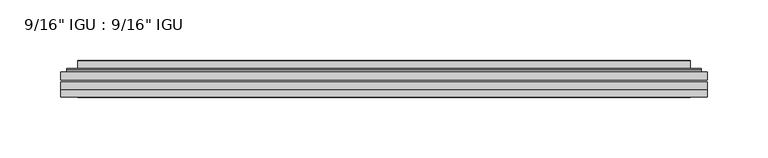
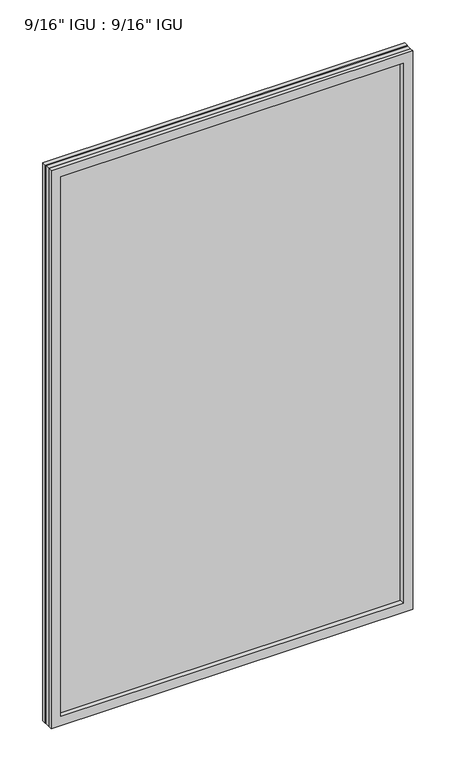
"""IFC4 building model written with IfcOpenShell, lengths in millimetres: plate geometry."""

from ifc_helpers import new_model, si_unit, frame, origin, place, context, project, spatial, polyline, ellipse_curve, outline, extrude, faceted_brep, source, transform, mapped, element, save
from ifc_brep_helpers import plane_surface, cylinder_surface, advanced_brep


def plate_6322d7ac(model_context):
    return source(origin(), model_context, "Body", "SolidModel", [
        extrude(outline(polyline([(266.714175, -54.78145), (266.714175, -61.1317818), (-266.7, -61.1317818), (-266.7, -54.78145), (266.714175, -54.78145)])), frame((0.0, 0.0, -14.2875), z_axis=(0.0, 0.0, 1.0), x_axis=(1.0, 0.0, 0.0)), (0.0, 0.0, 1.0), 869.9537979),
        extrude(outline(polyline([(-266.7, -69.05625), (-266.7, -62.705745), (266.714175, -62.705745), (266.714175, -69.05625), (-266.7, -69.05625)])), frame((0.0, 0.0, -14.2875), z_axis=(0.0, 0.0, 1.0), x_axis=(1.0, 0.0, 0.0)), (0.0, 0.0, 1.0), 869.9537979),
        faceted_brep([(-266.7127, -75.40625, 855.6752), (-266.7127, -69.05625, 855.6752), (-266.7127, -69.05625, -14.3002), (-266.7127, -75.40625, -14.3002), (266.7127, -69.05625, -14.3002), (266.7127, -75.40625, -14.3002), (266.7127, -69.05625, 855.6752), (266.7127, -75.40625, 855.6752), (-251.5147559, -69.05625, 0.8977441), (251.5147559, -69.05625, 0.8977441), (251.5147559, -69.05625, 840.4772559), (-251.5147559, -69.05625, 840.4772559), (-252.4071902, -75.40625, 841.3696902), (252.4071902, -75.40625, 841.3696902), (252.4071902, -75.40625, 0.0053098), (-252.4071902, -75.40625, 0.0053098)], [[[0, 1, 2, 3]], [[3, 2, 4, 5]], [[5, 4, 6, 7]], [[1, 6, 4, 2], [8, 9, 10, 11]], [[7, 6, 1, 0]], [[3, 5, 7, 0], [12, 13, 14, 15]], [[11, 12, 15, 8]], [[8, 15, 14, 9]], [[9, 14, 13, 10]], [[10, 13, 12, 11]]]),
        advanced_brep(
        [(-259.458719, -54.78145, 848.421219), (-261.8129244, -52.7917833, 850.7754244), (-261.8129244, -52.7917833, -9.4004244), (-259.458719, -54.78145, -7.046219), (-250.3843939, -50.941413, 839.3468939), (-245.4495621, -54.78145, 834.4120621), (-245.4495621, -54.78145, 6.9629379), (-250.3843939, -50.941413, 2.0281061), (-251.4164217, -45.5441819, 840.3789217), (-251.4164217, -45.5441819, 0.9960783), (-252.4070784, -45.1452069, 841.3695784), (-252.4070784, -45.1452069, 0.0054216), (-252.4070784, -51.60645, 841.3695784), (-252.4070784, -51.60645, 0.0054216), (-260.8111349, -51.60645, 849.7736349), (-260.8111349, -51.60645, -8.3986349), (261.8129244, -52.7917833, -9.4004244), (259.458719, -54.78145, -7.046219), (245.4495621, -54.78145, 6.9629379), (250.3843939, -50.941413, 2.0281061), (251.4164217, -45.5441819, 0.9960783), (252.4070784, -45.1452069, 0.0054216), (252.4070784, -51.60645, 0.0054216), (260.8111349, -51.60645, -8.3986349), (261.8129244, -52.7917833, 850.7754244), (259.458719, -54.78145, 848.421219), (245.4495621, -54.78145, 834.4120621), (250.3843939, -50.941413, 839.3468939), (251.4164217, -45.5441819, 840.3789217), (252.4070784, -45.1452069, 841.3695784), (252.4070784, -51.60645, 841.3695784), (260.8111349, -51.60645, 849.7736349)],
        [
            (0, 1, ellipse_curve(frame((-259.458719, -52.39385, 848.421219), z_axis=(-0.7071067811865475, 0.0, -0.7071067811865475), x_axis=(-0.7071067811865474, 0.0, 0.7071067811865476)), 3.3765763, 2.3876)),
            (1, 2),
            (2, 3, ellipse_curve(frame((-259.458719, -52.39385, -7.046219), z_axis=(-0.7071067811865475, 0.0, 0.7071067811865475), x_axis=(0.7071067811865474, 0.0, 0.7071067811865476)), 3.3765763, 2.3876)),
            (3, 0),
            (4, 5),
            (5, 6),
            (6, 7),
            (7, 4),
            (8, 4),
            (7, 9),
            (9, 8),
            (10, 8, ellipse_curve(frame((-252.0401219, -45.6634423, 841.0026219), z_axis=(-0.7071067811865475, 0.0, -0.7071067811865475), x_axis=(-0.7071067811865474, 0.0, 0.7071067811865476)), 0.8980256, 0.635)),
            (9, 11, ellipse_curve(frame((-252.0401219, -45.6634423, 0.3723781), z_axis=(-0.7071067811865475, 0.0, 0.7071067811865475), x_axis=(0.7071067811865474, 0.0, 0.7071067811865476)), 0.8980256, 0.635)),
            (11, 10),
            (12, 10),
            (11, 13),
            (13, 12),
            (1, 14, ellipse_curve(frame((-260.8111349, -52.62245, 849.7736349), z_axis=(-0.7071067811865475, 0.0, -0.7071067811865475), x_axis=(-0.7071067811865474, 0.0, 0.7071067811865476)), 1.436841, 1.016)),
            (14, 15),
            (15, 2, ellipse_curve(frame((-260.8111349, -52.62245, -8.3986349), z_axis=(-0.7071067811865475, 0.0, 0.7071067811865475), x_axis=(0.7071067811865474, 0.0, 0.7071067811865476)), 1.436841, 1.016)),
            (2, 16),
            (16, 17, ellipse_curve(frame((259.458719, -52.39385, -7.046219), z_axis=(-0.7071067811865475, 0.0, -0.7071067811865475), x_axis=(-0.7071067811865476, 0.0, 0.7071067811865474)), 3.3765763, 2.3876)),
            (17, 3),
            (6, 18),
            (18, 19),
            (19, 7),
            (19, 20),
            (20, 9),
            (20, 21, ellipse_curve(frame((252.0401219, -45.6634423, 0.3723781), z_axis=(-0.7071067811865475, 0.0, -0.7071067811865475), x_axis=(-0.7071067811865476, 0.0, 0.7071067811865474)), 0.8980256, 0.635)),
            (21, 11),
            (21, 22),
            (22, 13),
            (15, 23),
            (23, 16, ellipse_curve(frame((260.8111349, -52.62245, -8.3986349), z_axis=(-0.7071067811865475, 0.0, -0.7071067811865475), x_axis=(-0.7071067811865476, 0.0, 0.7071067811865474)), 1.436841, 1.016)),
            (16, 24),
            (24, 25, ellipse_curve(frame((259.458719, -52.39385, 848.421219), z_axis=(0.7071067811865475, 0.0, -0.7071067811865475), x_axis=(-0.7071067811865474, 0.0, -0.7071067811865476)), 3.3765763, 2.3876)),
            (25, 17),
            (18, 26),
            (26, 27),
            (27, 19),
            (27, 28),
            (28, 20),
            (28, 29, ellipse_curve(frame((252.0401219, -45.6634423, 841.0026219), z_axis=(0.7071067811865475, 0.0, -0.7071067811865475), x_axis=(-0.7071067811865474, 0.0, -0.7071067811865476)), 0.8980256, 0.635)),
            (29, 21),
            (29, 30),
            (30, 22),
            (23, 31),
            (31, 24, ellipse_curve(frame((260.8111349, -52.62245, 849.7736349), z_axis=(0.7071067811865475, 0.0, -0.7071067811865475), x_axis=(-0.7071067811865474, 0.0, -0.7071067811865476)), 1.436841, 1.016)),
            (24, 1),
            (0, 25),
            (5, 26),
            (4, 27),
            (8, 28),
            (10, 29),
            (12, 30),
            (14, 31),
        ],
        [
            cylinder_surface(frame((-259.458719, -52.39385, 873.125), z_axis=(0.0, 0.0, 1.0), x_axis=(-1.0, 0.0, 0.0)), 2.3876),
            plane_surface(frame((-245.4495621, -54.78145, 834.4120621), z_axis=(0.6141233906514794, 0.7892100234124821, 0.0), x_axis=(0.0, 0.0, -1.0))),
            plane_surface(frame((-250.3843939, -50.941413, 839.3468939), z_axis=(0.9822050625507728, 0.18781164793386088, 0.0), x_axis=(0.0, 0.0, -1.0))),
            cylinder_surface(frame((-252.0401219, -45.6634423, 873.125), z_axis=(0.0, 0.0, 1.0), x_axis=(-1.0, 0.0, 0.0)), 0.635),
            plane_surface(frame((-252.4070784, -45.1452069, 841.3695784), z_axis=(-1.0, 0.0, 0.0), x_axis=(0.0, 0.0, -1.0))),
            cylinder_surface(frame((-260.8111349, -52.62245, 873.125), z_axis=(0.0, 0.0, 1.0), x_axis=(-1.0, 0.0, 0.0)), 1.016),
            cylinder_surface(frame((-284.1625, -52.39385, -7.046219), z_axis=(-1.0, 0.0, 0.0), x_axis=(0.0, 0.0, -1.0)), 2.3876),
            plane_surface(frame((-245.4495621, -54.78145, 6.9629379), z_axis=(0.0, 0.7892100234124841, 0.6141233906514768), x_axis=(1.0, 0.0, 0.0))),
            plane_surface(frame((-250.3843939, -50.941413, 2.0281061), z_axis=(0.0, 0.18781164793386404, 0.9822050625507722), x_axis=(1.0, 0.0, 0.0))),
            cylinder_surface(frame((-284.1625, -45.6634423, 0.3723781), z_axis=(-1.0, 0.0, 0.0), x_axis=(0.0, 0.0, -1.0)), 0.635),
            plane_surface(frame((-252.4070784, -45.1452069, 0.0054216), z_axis=(0.0, 0.0, -1.0), x_axis=(1.0, 0.0, 0.0))),
            cylinder_surface(frame((-284.1625, -52.62245, -8.3986349), z_axis=(-1.0, 0.0, 0.0), x_axis=(0.0, 0.0, -1.0)), 1.016),
            cylinder_surface(frame((259.458719, -52.39385, -31.75), z_axis=(0.0, 0.0, -1.0), x_axis=(1.0, 0.0, 0.0)), 2.3876),
            plane_surface(frame((245.4495621, -54.78145, 6.9629379), z_axis=(-0.6141233906514743, 0.7892100234124861, 0.0), x_axis=(0.0, 0.0, 1.0))),
            plane_surface(frame((250.3843939, -50.941413, 2.0281061), z_axis=(-0.9822050625507717, 0.1878116479338672, 0.0), x_axis=(0.0, 0.0, 1.0))),
            cylinder_surface(frame((252.0401219, -45.6634423, -31.75), z_axis=(0.0, 0.0, -1.0), x_axis=(1.0, 0.0, 0.0)), 0.635),
            plane_surface(frame((252.4070784, -45.1452069, 0.0054216), z_axis=(1.0, 0.0, 0.0), x_axis=(0.0, 0.0, 1.0))),
            cylinder_surface(frame((260.8111349, -52.62245, -31.75), z_axis=(0.0, 0.0, -1.0), x_axis=(1.0, 0.0, 0.0)), 1.016),
            cylinder_surface(frame((284.1625, -52.39385, 848.421219), z_axis=(1.0, 0.0, 0.0), x_axis=(0.0, 0.0, 1.0)), 2.3876),
            plane_surface(frame((259.458719, -54.78145, 848.421219), z_axis=(0.0, -1.0, 0.0), x_axis=(-1.0, 0.0, 0.0))),
            plane_surface(frame((245.4495621, -54.78145, 834.4120621), z_axis=(0.0, 0.7892100234124841, -0.6141233906514768), x_axis=(-1.0, 0.0, 0.0))),
            plane_surface(frame((250.3843939, -50.941413, 839.3468939), z_axis=(0.0, 0.18781164793386404, -0.9822050625507722), x_axis=(-1.0, 0.0, 0.0))),
            cylinder_surface(frame((284.1625, -45.6634423, 841.0026219), z_axis=(1.0, 0.0, 0.0), x_axis=(0.0, 0.0, 1.0)), 0.635),
            plane_surface(frame((252.4070784, -45.1452069, 841.3695784), z_axis=(0.0, 0.0, 1.0), x_axis=(-1.0, 0.0, 0.0))),
            plane_surface(frame((252.4070784, -51.60645, 841.3695784), z_axis=(0.0, 1.0, 0.0), x_axis=(-1.0, 0.0, 0.0))),
            cylinder_surface(frame((284.1625, -52.62245, 849.7736349), z_axis=(1.0, 0.0, 0.0), x_axis=(0.0, 0.0, 1.0)), 1.016),
        ],
        [
            (0, [[1, 2, 3, 4]]),
            (1, [[5, 6, 7, 8]]),
            (2, [[9, -8, 10, 11]]),
            (3, [[12, -11, 13, 14]]),
            (4, [[15, -14, 16, 17]]),
            (5, [[18, 19, 20, -2]]),
            (6, [[-3, 21, 22, 23]]),
            (7, [[-7, 24, 25, 26]]),
            (8, [[-10, -26, 27, 28]]),
            (9, [[-13, -28, 29, 30]]),
            (10, [[-16, -30, 31, 32]]),
            (11, [[-20, 33, 34, -21]]),
            (12, [[-22, 35, 36, 37]]),
            (13, [[-25, 38, 39, 40]]),
            (14, [[-27, -40, 41, 42]]),
            (15, [[-29, -42, 43, 44]]),
            (16, [[-31, -44, 45, 46]]),
            (17, [[-34, 47, 48, -35]]),
            (18, [[-36, 49, -1, 50]]),
            (19, [[-23, -37, -50, -4], [51, -38, -24, -6]]),
            (20, [[-39, -51, -5, 52]]),
            (21, [[-41, -52, -9, 53]]),
            (22, [[-43, -53, -12, 54]]),
            (23, [[-45, -54, -15, 55]]),
            (24, [[56, -47, -33, -19], [-32, -46, -55, -17]]),
            (25, [[-48, -56, -18, -49]]),
        ],
    ),
    ])


if __name__ == "__main__":
    model = new_model("IFC4")
    model_context = context("Model", 3, world=origin())
    ifc_project = project(units=[si_unit("LENGTHUNIT", "METRE", prefix="MILLI")], contexts=[model_context])
    site = spatial("IfcSite", under=ifc_project)
    building = spatial("IfcBuilding", under=site)
    placement = place(None, origin())
    plate_shape = plate_6322d7ac(model_context)
    element("IfcPlate", 1, ObjectType="9/16\" IGU : 9/16\" IGU", at=placement, inside=building, context=model_context, shape_type="MappedRepresentation", body=[
        mapped(plate_shape, transform((0.0, 0.0, 0.0), x_axis=(1.0, 0.0, 0.0), y_axis=(0.0, 1.0, 0.0), z_axis=(0.0, 0.0, 1.0))),
    ])
    save(model, "model.ifc")
